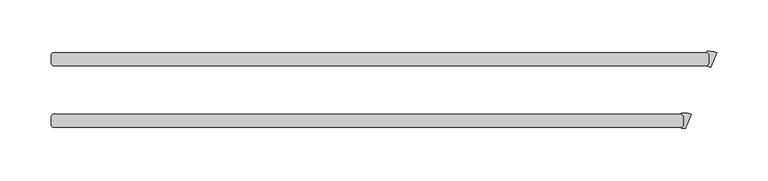
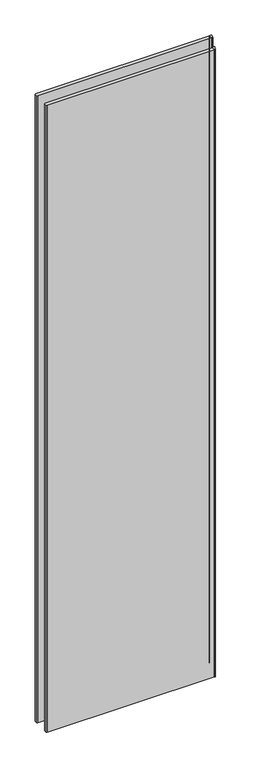
"""IFC4 building model written with IfcOpenShell, lengths in millimetres: plate geometry."""

import ifcopenshell
import ifcopenshell.guid

model = None  # the IFC model being written
_history = None  # IfcOwnerHistory: only IFC2X3 demands one
_inside = {}  # id of a spatial element -> (the spatial element, [elements in it])
_under = {}  # id of a project, library or spatial element -> (it, [spatial elements below it])
_declared = {}  # id of a project -> (the project, [libraries it declares])
_typed = {}  # id of a type object -> (the type object, [elements of that type])
_made_of = {}  # id of a material, layer set ... -> (it, [elements and type objects made of it])


def new_model(schema):
    """Start an empty IFC model of exactly this schema.

    Asked for "IFC4X3", IfcOpenShell would pick the latest addendum, in which some entities
    have other attributes; the version numbers below select the first issue.
    IFC2X3 requires an IfcOwnerHistory on every rooted entity: one is made here for all.
    """
    global model, _history
    if schema == "IFC4X3":
        model = ifcopenshell.file(schema_version=(4, 3, 0, 0))
    else:
        model = ifcopenshell.file(schema=schema)
    _inside.clear()
    _under.clear()
    _declared.clear()
    _typed.clear()
    _made_of.clear()
    _history = None
    if model.schema == "IFC2X3":
        org = make("IfcOrganization", Name="unknown")
        user = make(
            "IfcPersonAndOrganization",
            ThePerson=make("IfcPerson", FamilyName="unknown"),
            TheOrganization=org,
        )
        app = make(
            "IfcApplication",
            ApplicationDeveloper=org,
            Version="unknown",
            ApplicationFullName="unknown",
            ApplicationIdentifier="unknown",
        )
        _history = make(
            "IfcOwnerHistory",
            OwningUser=user,
            OwningApplication=app,
            ChangeAction="ADDED",
            CreationDate=0,
        )
    return model


def make(cls, **values):
    """One entity of the class cls with the attributes given. An attribute that is None is left unset."""
    return model.create_entity(
        cls, **{name: value for name, value in values.items() if value is not None}
    )


def rooted(cls, **values):
    """An entity with a GlobalId (a new one), such as an element, a storey or a relation."""
    return make(cls, GlobalId=ifcopenshell.guid.new(), OwnerHistory=_history, **values)


def si_unit(unit_type, name, prefix=None):
    """IfcSIUnit, for example si_unit("LENGTHUNIT", "METRE", prefix="MILLI")."""
    return make("IfcSIUnit", UnitType=unit_type, Prefix=prefix, Name=name)


def assignment(units):
    """IfcUnitAssignment: the units of a project."""
    return None if units is None else make("IfcUnitAssignment", Units=units)


def point(xyz):
    """IfcCartesianPoint."""
    return None if xyz is None else make("IfcCartesianPoint", Coordinates=xyz)


def direction(xyz):
    """IfcDirection."""
    return None if xyz is None else make("IfcDirection", DirectionRatios=xyz)


def frame(location, z_axis=None, x_axis=None):
    """IfcAxis2Placement3D, a coordinate frame: its origin and axes. An axis left out is left unset."""
    return make(
        "IfcAxis2Placement3D",
        Location=point(location),
        Axis=direction(z_axis),
        RefDirection=direction(x_axis),
    )


def frame_2d(location, x_axis=None):
    """IfcAxis2Placement2D, a coordinate frame in the plane: its origin and x axis."""
    return make(
        "IfcAxis2Placement2D", Location=point(location), RefDirection=direction(x_axis)
    )


def origin():
    """The frame at (0, 0, 0) with its axes left unset."""
    return frame((0.0, 0.0, 0.0))


def origin_with_axes():
    """The frame at (0, 0, 0) with the z axis (0, 0, 1) and the x axis (1, 0, 0) written out."""
    return frame((0.0, 0.0, 0.0), z_axis=(0.0, 0.0, 1.0), x_axis=(1.0, 0.0, 0.0))


def place(relative_to, where):
    """IfcLocalPlacement: puts the frame where relative to a parent placement (None: the world)."""
    return make(
        "IfcLocalPlacement", PlacementRelTo=relative_to, RelativePlacement=where
    )


def context(
    kind, dimensions, precision=None, world=None, true_north=None, identifier=None
):
    """IfcGeometricRepresentationContext, for example the 3D "Model" context."""
    return make(
        "IfcGeometricRepresentationContext",
        ContextIdentifier=identifier,
        ContextType=kind,
        CoordinateSpaceDimension=dimensions,
        Precision=precision,
        WorldCoordinateSystem=world,
        TrueNorth=true_north,
    )


def project(units=None, contexts=None):
    """IfcProject with its units and contexts."""
    return rooted(
        "IfcProject",
        Name="project",
        RepresentationContexts=contexts,
        UnitsInContext=assignment(units),
    )


def spatial(cls, under=None, at=None, **own):
    """A site, building, storey or space (cls), placed at a placement, below another one or the project."""
    s = rooted(cls, ObjectPlacement=at, **own)
    if under is not None:
        _under.setdefault(under.id(), (under, []))[1].append(s)
    return s


def polyline(points):
    """IfcPolyline through the points."""
    return make("IfcPolyline", Points=[point(p) for p in points])


def circle_curve(where, radius):
    """IfcCircle in the frame where."""
    return make("IfcCircle", Position=where, Radius=radius)


def trimmed(basis, trim1, trim2, sense, master):
    """IfcTrimmedCurve: the piece of a basis curve between two trims."""
    return make(
        "IfcTrimmedCurve",
        BasisCurve=basis,
        Trim1=trim1,
        Trim2=trim2,
        SenseAgreement=sense,
        MasterRepresentation=master,
    )


def segment(curve, same_sense, transition):
    """IfcCompositeCurveSegment."""
    return make(
        "IfcCompositeCurveSegment",
        Transition=transition,
        SameSense=same_sense,
        ParentCurve=curve,
    )


def composite_curve(segments, self_intersect=None):
    """IfcCompositeCurve: segments joined end to end."""
    return make("IfcCompositeCurve", Segments=segments, SelfIntersect=self_intersect)


def outline(outer, holes=None, kind="AREA"):
    """IfcArbitraryClosedProfileDef: a profile drawn as a closed curve; with holes, ...WithVoids."""
    if holes is None:
        return make("IfcArbitraryClosedProfileDef", ProfileType=kind, OuterCurve=outer)
    return make(
        "IfcArbitraryProfileDefWithVoids",
        ProfileType=kind,
        OuterCurve=outer,
        InnerCurves=holes,
    )


def extrude(swept, where, along, depth):
    """IfcExtrudedAreaSolid: the profile swept, set in the frame where, extruded along a direction by depth."""
    return make(
        "IfcExtrudedAreaSolid",
        SweptArea=swept,
        Position=where,
        ExtrudedDirection=direction(along),
        Depth=depth,
    )


def shape(context_of_items, identifier, shape_type, items):
    """IfcShapeRepresentation: the items that make up one representation, for example the "Body"."""
    return make(
        "IfcShapeRepresentation",
        ContextOfItems=context_of_items,
        RepresentationIdentifier=identifier,
        RepresentationType=shape_type,
        Items=items,
    )


def source(mapping_origin, context_of_items, identifier, shape_type, items):
    """IfcRepresentationMap: a shape defined once, which mapped items show again and again."""
    return make(
        "IfcRepresentationMap",
        MappingOrigin=mapping_origin,
        MappedRepresentation=shape(context_of_items, identifier, shape_type, items),
    )


def transform(
    local_origin,
    x_axis=None,
    y_axis=None,
    z_axis=None,
    scale=None,
    scale2=None,
    scale3=None,
    uniform=True,
):
    """IfcCartesianTransformationOperator3D, or its non-uniform kind. x_axis, y_axis, z_axis: its Axis1, 2, 3."""
    if uniform:
        return make(
            "IfcCartesianTransformationOperator3D",
            Axis1=direction(x_axis),
            Axis2=direction(y_axis),
            LocalOrigin=point(local_origin),
            Scale=scale,
            Axis3=direction(z_axis),
        )
    return make(
        "IfcCartesianTransformationOperator3DnonUniform",
        Axis1=direction(x_axis),
        Axis2=direction(y_axis),
        LocalOrigin=point(local_origin),
        Scale=scale,
        Axis3=direction(z_axis),
        Scale2=scale2,
        Scale3=scale3,
    )


def mapped(mapping_source, mapping_target):
    """IfcMappedItem: shows the shape of a source again, moved by a transform."""
    return make(
        "IfcMappedItem", MappingSource=mapping_source, MappingTarget=mapping_target
    )


def made_of(thing, what):
    """Note that an element or type object is made of a material, layer set ...; save() writes the relation."""
    if what is not None:
        _made_of.setdefault(what.id(), (what, []))[1].append(thing)
    return thing


def element(
    cls,
    number,
    at=None,
    inside=None,
    cuts=None,
    type_object=None,
    material=None,
    context=None,
    identifier="Body",
    shape_type=None,
    held_by="IfcProductDefinitionShape",
    body=None,
    shapes=None,
    **own,
):
    """One element of the class cls, such as IfcWall. Its Tag is "e" and its number.

    at: its placement. inside: the storey or other place that contains it. cuts: it is an
    opening in that element (IfcRelVoidsElement). A single representation is given by context,
    identifier, shape_type and body (its items); several are given by shapes. held_by: the class
    of the entity that holds the representations. save() writes the other relations.
    """
    e = rooted(cls, Tag="e%d" % number, ObjectPlacement=at, **own)
    if body is not None:
        shapes = [shape(context, identifier, shape_type, body)]
    if shapes is not None:
        e.Representation = make(held_by, Representations=shapes)
    if inside is not None:
        _inside.setdefault(inside.id(), (inside, []))[1].append(e)
    if cuts is not None:
        rooted(
            "IfcRelVoidsElement", RelatingBuildingElement=cuts, RelatedOpeningElement=e
        )
    if type_object is not None:
        _typed.setdefault(type_object.id(), (type_object, []))[1].append(e)
    return made_of(e, material)


def aggregate(whole, parts):
    """IfcRelAggregates: a whole, such as a stair, and the parts it consists of."""
    return rooted("IfcRelAggregates", RelatingObject=whole, RelatedObjects=parts)


def save(model, path):
    """Write the relations noted so far, then the file.

    IfcRelAggregates (storeys below a building ...), IfcRelContainedInSpatialStructure (elements
    in a storey), IfcRelDefinesByType, IfcRelAssociatesMaterial and IfcRelDeclares: one each for
    every whole, place, type object, material and project.
    """
    for whole, parts in _under.values():
        aggregate(whole, parts)
    for where, things in _inside.values():
        rooted(
            "IfcRelContainedInSpatialStructure",
            RelatedElements=things,
            RelatingStructure=where,
        )
    for kind, things in _typed.values():
        rooted("IfcRelDefinesByType", RelatedObjects=things, RelatingType=kind)
    for what, things in _made_of.values():
        rooted("IfcRelAssociatesMaterial", RelatedObjects=things, RelatingMaterial=what)
    for by, libraries in _declared.values():
        rooted("IfcRelDeclares", RelatingContext=by, RelatedDefinitions=libraries)
    model.write(path)


def plate_32528bdc(model_context):
    return source(origin(), model_context, "Body", "SweptSolid", [
        extrude(outline(composite_curve([segment(polyline([(299.8469084, -34.925), (299.8469084, -25.4), (297.7677007, -23.3207923)]), True, "CONTINUOUS"), segment(trimmed(circle_curve(frame_2d((298.0483337, -23.0401593)), 0.396875), [point((297.7677007, -23.3207923))], [point((297.9925665, -22.6472219))], False, "CARTESIAN"), True, "CONTINUOUS"), segment(trimmed(circle_curve(frame_2d((300.4755618, -40.1424885)), 17.6705863), [point((297.9925665, -22.6472219))], [point((307.2378024, -23.8169955))], False, "CARTESIAN"), True, "CONTINUOUS"), segment(polyline([(307.2378024, -23.8169955), (301.3908437, -37.9328026)]), True, "CONTINUOUS"), segment(trimmed(circle_curve(frame_2d((298.2456736, -45.525915)), 8.2187257), [point((301.3908437, -37.9328026))], [point((298.4129947, -37.3088927))], True, "CARTESIAN"), True, "CONTINUOUS"), segment(trimmed(circle_curve(frame_2d((298.4210745, -36.9121)), 0.396875), [point((298.4129947, -37.3088927))], [point((298.1404415, -36.6314669))], False, "CARTESIAN"), True, "CONTINUOUS"), segment(polyline([(298.1404415, -36.6314669), (299.8469084, -34.925)]), True, "CONTINUOUS")], self_intersect=False)), origin_with_axes(), (0.0, 0.0, 1.0), 2428.7789267),
        extrude(outline(composite_curve([segment(polyline([(324.8343416, 25.4), (324.8343416, 34.925), (322.7551339, 37.0042077)]), True, "CONTINUOUS"), segment(trimmed(circle_curve(frame_2d((323.0357669, 37.2848407)), 0.396875), [point((322.7551339, 37.0042077))], [point((322.9799997, 37.6777781))], False, "CARTESIAN"), True, "CONTINUOUS"), segment(trimmed(circle_curve(frame_2d((325.462995, 20.1825115)), 17.6705863), [point((322.9799997, 37.6777781))], [point((332.2252356, 36.5080045))], False, "CARTESIAN"), True, "CONTINUOUS"), segment(polyline([(332.2252356, 36.5080045), (326.3782769, 22.3921974)]), True, "CONTINUOUS"), segment(trimmed(circle_curve(frame_2d((323.2331067, 14.799085)), 8.2187257), [point((326.3782769, 22.3921974))], [point((323.4004278, 23.0161073))], True, "CARTESIAN"), True, "CONTINUOUS"), segment(trimmed(circle_curve(frame_2d((323.4085076, 23.4129)), 0.396875), [point((323.4004278, 23.0161073))], [point((323.1278746, 23.6935331))], False, "CARTESIAN"), True, "CONTINUOUS"), segment(polyline([(323.1278746, 23.6935331), (324.8343416, 25.4)]), True, "CONTINUOUS")], self_intersect=False)), origin_with_axes(), (0.0, 0.0, 1.0), 2428.7789267),
        extrude(outline(polyline([(298.2594084, -23.8125), (299.8469084, -25.4), (299.8469084, -34.925), (298.2594084, -36.5125), (-315.515625, -36.5125), (-317.103125, -34.925), (-317.103125, -25.4), (-315.515625, -23.8125), (298.2594084, -23.8125)])), origin_with_axes(), (0.0, 0.0, 1.0), 2428.7789267),
        extrude(outline(polyline([(323.2468416, 36.5125), (324.8343416, 34.925), (324.8343416, 25.4), (323.2468416, 23.8125), (-315.515625, 23.8125), (-317.103125, 25.4), (-317.103125, 34.925), (-315.515625, 36.5125), (323.2468416, 36.5125)])), origin_with_axes(), (0.0, 0.0, 1.0), 2428.7789267),
    ])


if __name__ == "__main__":
    model = new_model("IFC4")
    model_context = context("Model", 3, world=origin())
    ifc_project = project(units=[si_unit("LENGTHUNIT", "METRE", prefix="MILLI")], contexts=[model_context])
    site = spatial("IfcSite", under=ifc_project)
    building = spatial("IfcBuilding", under=site)
    placement = place(None, origin())
    plate_shape = plate_32528bdc(model_context)
    element("IfcPlate", 1, at=placement, inside=building, context=model_context, shape_type="MappedRepresentation", body=[
        mapped(plate_shape, transform((0.0, 0.0, 0.0), x_axis=(1.0, 0.0, 0.0), y_axis=(0.0, 1.0, 0.0), z_axis=(0.0, 0.0, 1.0))),
    ])
    save(model, "model.ifc")
